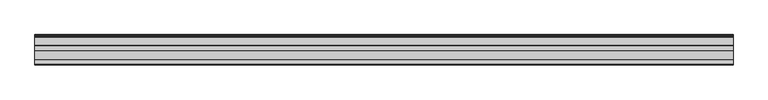
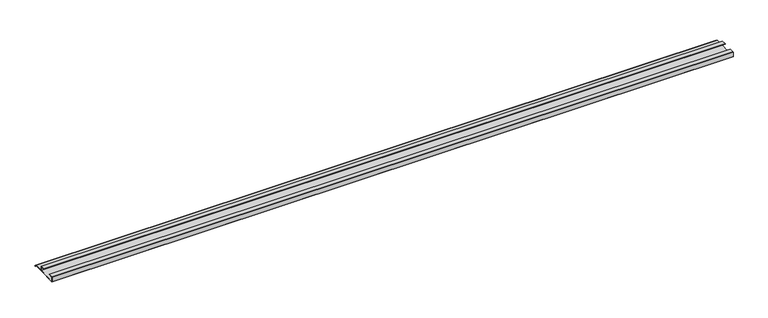
"""IFC4 building model written with IfcOpenShell, lengths in millimetres: furniture geometry."""

from ifc_helpers import new_model, si_unit, frame, origin, place, context, project, spatial, polyline, outline, extrude, source, transform, mapped, element, save


def furniture_7ad9ed6a(model_context):
    return source(origin(), model_context, "Body", "SweptSolid", [
        extrude(outline(polyline([(-16.1532518, 512.3076998), (-16.9376349, 511.8893742), (-18.5259585, 513.5599489), (-20.7474799, 514.175282), (-21.763438, 516.2072074), (-45.0034802, 516.2072074), (-92.6265287, 514.175282), (-93.3884975, 514.9372508), (-93.3884975, 527.3675), (-92.5947475, 528.16125), (-80.6890189, 528.16125), (-80.6890189, 527.3675), (-92.6265287, 527.3675), (-92.6265287, 514.9372631), (-45.0034802, 517.0009574), (-45.0034802, 527.3675), (-56.9409919, 527.3675), (-56.9409919, 528.16125), (-45.0352673, 528.16125), (-44.2415173, 527.3675), (-44.2415173, 517.0009574), (-21.763438, 517.0009574), (-20.7474799, 515.1912447), (-18.0685872, 514.3222207), (-16.1532518, 512.3076998)])), frame((-867.5345592, 0.0, 0.0), z_axis=(1.0, 0.0, 0.0), x_axis=(0.0, 1.0, 0.0)), (0.0, 0.0, 1.0), 1774.0122),
    ])


if __name__ == "__main__":
    model = new_model("IFC4")
    model_context = context("Model", 3, world=origin())
    ifc_project = project(units=[si_unit("LENGTHUNIT", "METRE", prefix="MILLI")], contexts=[model_context])
    site = spatial("IfcSite", under=ifc_project)
    building = spatial("IfcBuilding", under=site)
    placement = place(None, origin())
    furniture_shape = furniture_7ad9ed6a(model_context)
    element("IfcFurniture", 1, at=placement, inside=building, context=model_context, shape_type="MappedRepresentation", body=[
        mapped(furniture_shape, transform((0.0, 0.0, 0.0), x_axis=(1.0, 0.0, 0.0), y_axis=(0.0, 1.0, 0.0), z_axis=(0.0, 0.0, 1.0))),
    ])
    save(model, "model.ifc")
